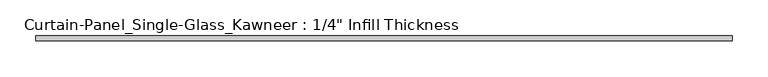
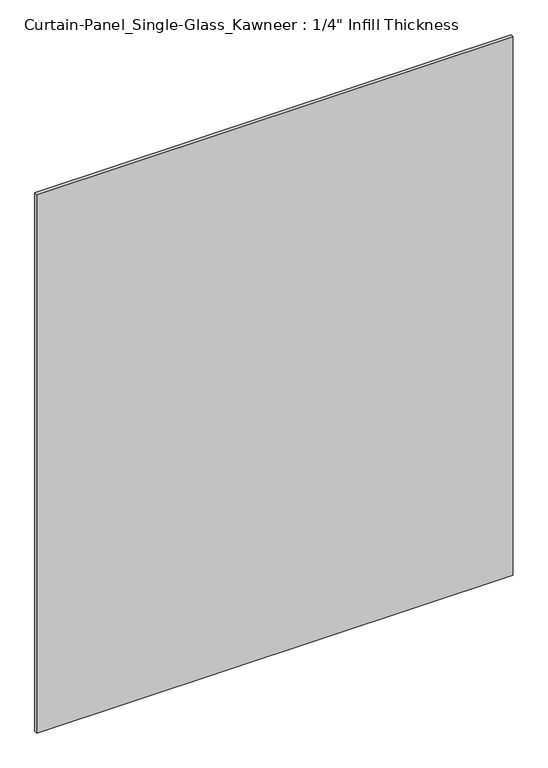
"""IFC4 building model written with IfcOpenShell, lengths in millimetres: plate geometry."""

from ifc_helpers import new_model, si_unit, origin, origin_with_axes, place, context, project, spatial, polyline, outline, extrude, source, transform, mapped, element, save


def plate_22180fa5(model_context):
    return source(origin(), model_context, "Body", "SweptSolid", [
        extrude(outline(polyline([(483.87, -3.175), (-483.87, -3.175), (-483.87, 3.175), (483.87, 3.175), (483.87, -3.175)])), origin_with_axes(), (0.0, 0.0, 1.0), 1155.7),
    ])


if __name__ == "__main__":
    model = new_model("IFC4")
    model_context = context("Model", 3, world=origin())
    ifc_project = project(units=[si_unit("LENGTHUNIT", "METRE", prefix="MILLI")], contexts=[model_context])
    site = spatial("IfcSite", under=ifc_project)
    building = spatial("IfcBuilding", under=site)
    placement = place(None, origin())
    plate_shape = plate_22180fa5(model_context)
    element("IfcPlate", 1, ObjectType="Curtain-Panel_Single-Glass_Kawneer : 1/4\" Infill Thickness", at=placement, inside=building, context=model_context, shape_type="MappedRepresentation", body=[
        mapped(plate_shape, transform((0.0, 0.0, 0.0), x_axis=(1.0, 0.0, 0.0), y_axis=(0.0, 1.0, 0.0), z_axis=(0.0, 0.0, 1.0))),
    ])
    save(model, "model.ifc")
